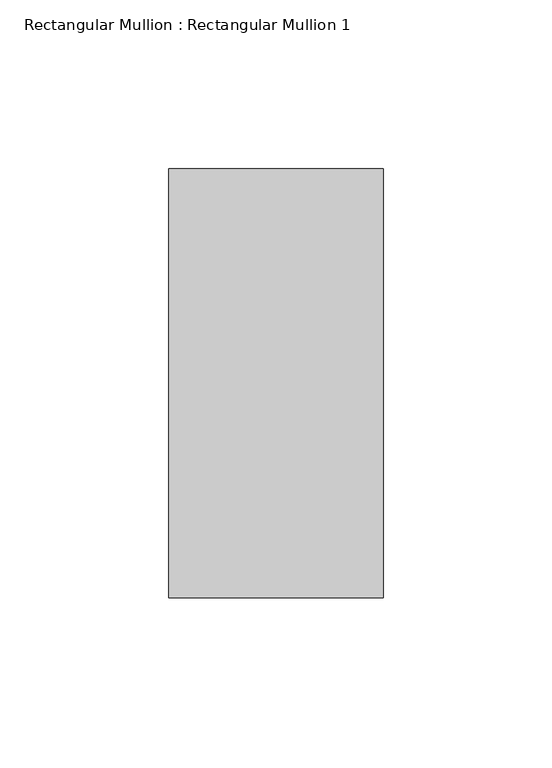
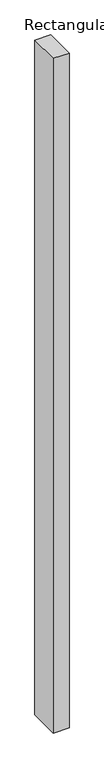
"""IFC4 building model written with IfcOpenShell, lengths in millimetres: member geometry, Rectangular Mullion : Rectangular Mullion 1."""

from ifc_helpers import new_model, si_unit, frame, origin, place, context, project, spatial, polyline, outline, extrude, source, transform, mapped, element, save


def rectangular_mullion_rectangular_mullion_1_720af09f(model_context):
    return source(origin(), model_context, "Body", "SweptSolid", [
        extrude(outline(polyline([(0.0, 63.5), (0.0, -63.5), (-63.5, -63.5), (-63.5, 63.5), (0.0, 63.5)])), frame((0.0, 0.0, -2857.8772727), z_axis=(0.0, 0.0, 1.0), x_axis=(1.0, 0.0, 0.0)), (0.0, 0.0, 1.0), 2857.8772727),
    ])


if __name__ == "__main__":
    model = new_model("IFC4")
    model_context = context("Model", 3, world=origin())
    ifc_project = project(units=[si_unit("LENGTHUNIT", "METRE", prefix="MILLI")], contexts=[model_context])
    site = spatial("IfcSite", under=ifc_project)
    building = spatial("IfcBuilding", under=site)
    placement = place(None, origin())
    rectangular_mullion_rectangular_mullion_1_shape = rectangular_mullion_rectangular_mullion_1_720af09f(model_context)
    element("IfcMember", 1, ObjectType="Rectangular Mullion : Rectangular Mullion 1", at=placement, inside=building, context=model_context, shape_type="MappedRepresentation", body=[
        mapped(rectangular_mullion_rectangular_mullion_1_shape, transform((0.0, 0.0, 0.0), x_axis=(1.0, 0.0, 0.0), y_axis=(0.0, 1.0, 0.0), z_axis=(0.0, 0.0, 1.0))),
    ])
    save(model, "model.ifc")
